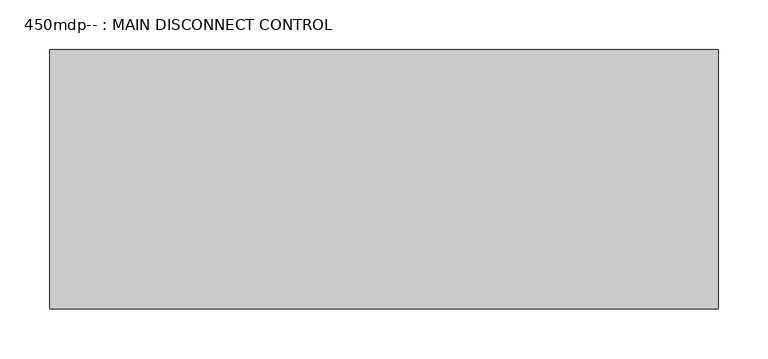
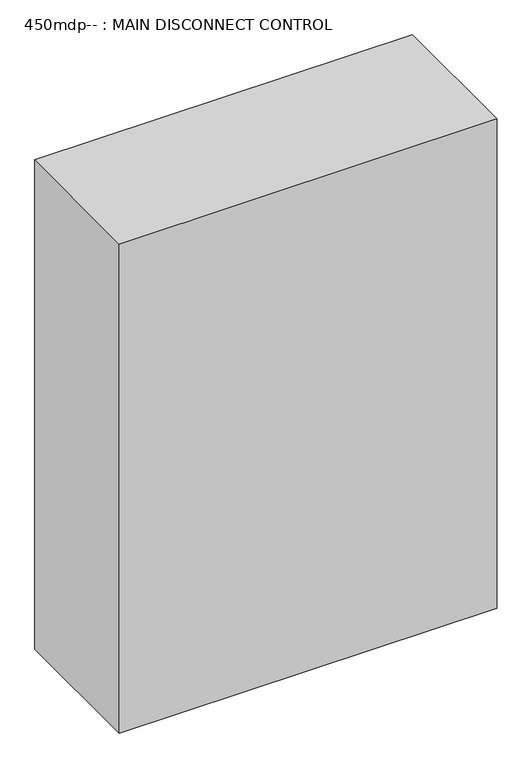
"""IFC4 building model written with IfcOpenShell, lengths in millimetres: proxy geometry, 450mdp-- : MAIN DISCONNECT CONTROL."""

from ifc_helpers import new_model, si_unit, frame, origin, place, context, project, spatial, polyline, outline, extrude, source, transform, mapped, element, save


def proxy_450mdp_main_disconnect_control_54072944(model_context):
    return source(origin(), model_context, "Body", "SweptSolid", [
        extrude(outline(polyline([(-111.6511378, -626.0249791), (556.3688622, -626.0249791), (556.3688622, -885.1049791), (-111.6511378, -885.1049791), (-111.6511378, -626.0249791)])), frame((0.0, 0.0, 1159.6519803), z_axis=(0.0, 0.0, 1.0), x_axis=(1.0, 0.0, 0.0)), (0.0, 0.0, 1.0), 914.4),
    ])


if __name__ == "__main__":
    model = new_model("IFC4")
    model_context = context("Model", 3, world=origin())
    ifc_project = project(units=[si_unit("LENGTHUNIT", "METRE", prefix="MILLI")], contexts=[model_context])
    site = spatial("IfcSite", under=ifc_project)
    building = spatial("IfcBuilding", under=site)
    placement = place(None, origin())
    proxy_450mdp_main_disconnect_control_shape = proxy_450mdp_main_disconnect_control_54072944(model_context)
    element("IfcBuildingElementProxy", 1, Name="450mdp-- : MAIN DISCONNECT CONTROL", ObjectType="450mdp-- : MAIN DISCONNECT CONTROL", at=placement, inside=building, context=model_context, shape_type="MappedRepresentation", body=[
        mapped(proxy_450mdp_main_disconnect_control_shape, transform((0.0, 0.0, 0.0), x_axis=(1.0, 0.0, 0.0), y_axis=(0.0, 1.0, 0.0), z_axis=(0.0, 0.0, 1.0))),
    ])
    save(model, "model.ifc")
